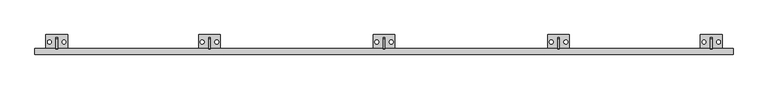
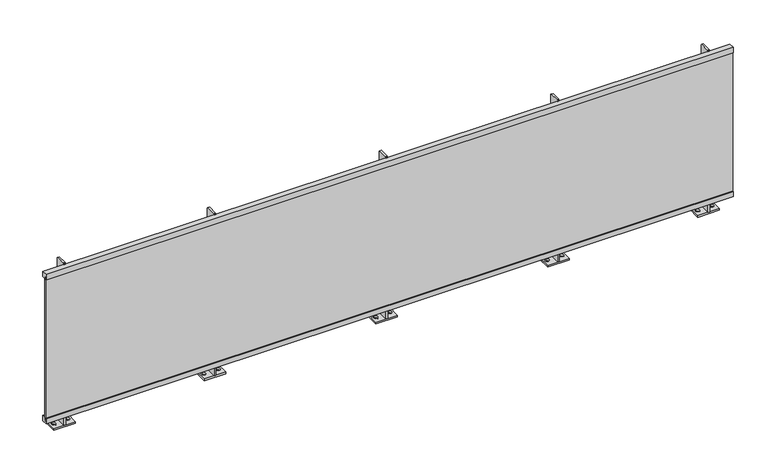
"""IFC4 building model written with IfcOpenShell, lengths in millimetres: railing geometry."""

from ifc_helpers import new_model, si_unit, point, frame, frame_2d, origin, origin_with_axes, place, context, project, spatial, polyline, circle_curve, trimmed, segment, composite_curve, outline, extrude, source, transform, mapped, element, save


def railing_a1a2c9dc(model_context):
    return source(origin(), model_context, "Body", "SweptSolid", [
        extrude(outline(polyline([(3006.2216732, 1200.0), (3006.2216732, 1160.0), (2984.7216732, 1160.0), (2984.7216732, 1180.0), (2968.7216732, 1180.0), (2968.7216732, 1160.0), (2966.2216732, 1160.0), (2966.2216732, 1200.0), (3006.2216732, 1200.0)])), frame((9960.6479588, 0.0, 0.0), z_axis=(1.0, 0.0, 0.0), x_axis=(0.0, 1.0, 0.0)), (0.0, 0.0, 1.0), 4800.0),
        extrude(outline(polyline([(9960.6479588, 2972.2216732), (9960.6479588, 2980.2216732), (14760.6479588, 2980.2216732), (14760.6479588, 2972.2216732), (9960.6479588, 2972.2216732)])), frame((0.0, 0.0, 135.0), z_axis=(0.0, 0.0, 1.0), x_axis=(1.0, 0.0, 0.0)), (0.0, 0.0, 1.0), 1025.0),
        extrude(outline(polyline([(3006.2216732, 95.0), (2966.2216732, 95.0), (2966.2216732, 135.0), (2968.7216732, 135.0), (2968.7216732, 115.0), (2984.7216732, 115.0), (2984.7216732, 135.0), (3006.2216732, 135.0), (3006.2216732, 95.0)])), frame((9960.6479588, 0.0, 0.0), z_axis=(1.0, 0.0, 0.0), x_axis=(0.0, 1.0, 0.0)), (0.0, 0.0, 1.0), 4800.0),
        extrude(outline(polyline([(3081.2216732, 12.0), (3001.2216732, 12.0), (3001.2216732, 1205.0), (3006.2216732, 1210.0), (3076.2216732, 1210.0), (3081.2216732, 1205.0), (3081.2216732, 12.0)])), frame((13554.6479588, 0.0, 0.0), z_axis=(1.0, 0.0, 0.0), x_axis=(0.0, 1.0, 0.0)), (0.0, 0.0, 1.0), 12.0),
        extrude(outline(polyline([(13485.6479588, 3101.2216732), (13635.6479588, 3101.2216732), (13635.6479588, 3001.2216732), (13485.6479588, 3001.2216732), (13485.6479588, 3101.2216732)]), holes=[composite_curve([segment(trimmed(circle_curve(frame_2d((13510.6479588, 3051.2216732)), 13.5), [point((13510.6479588, 3037.7216732))], [point((13510.6479588, 3064.7216732))], True, "CARTESIAN"), True, "CONTINUOUS"), segment(trimmed(circle_curve(frame_2d((13510.6479588, 3051.2216732)), 13.5), [point((13510.6479588, 3064.7216732))], [point((13510.6479588, 3037.7216732))], True, "CARTESIAN"), True, "CONTINUOUS")], self_intersect=False), composite_curve([segment(trimmed(circle_curve(frame_2d((13610.6479588, 3051.2216732)), 13.5), [point((13610.6479588, 3037.7216732))], [point((13610.6479588, 3064.7216732))], True, "CARTESIAN"), True, "CONTINUOUS"), segment(trimmed(circle_curve(frame_2d((13610.6479588, 3051.2216732)), 13.5), [point((13610.6479588, 3064.7216732))], [point((13610.6479588, 3037.7216732))], True, "CARTESIAN"), True, "CONTINUOUS")], self_intersect=False)]), origin_with_axes(), (0.0, 0.0, 1.0), 12.0),
        extrude(outline(polyline([(3081.2216732, 12.0), (3001.2216732, 12.0), (3001.2216732, 1205.0), (3006.2216732, 1210.0), (3076.2216732, 1210.0), (3081.2216732, 1205.0), (3081.2216732, 12.0)])), frame((12354.6479588, 0.0, 0.0), z_axis=(1.0, 0.0, 0.0), x_axis=(0.0, 1.0, 0.0)), (0.0, 0.0, 1.0), 12.0),
        extrude(outline(polyline([(12285.6479588, 3101.2216732), (12435.6479588, 3101.2216732), (12435.6479588, 3001.2216732), (12285.6479588, 3001.2216732), (12285.6479588, 3101.2216732)]), holes=[composite_curve([segment(trimmed(circle_curve(frame_2d((12310.6479588, 3051.2216732)), 13.5), [point((12310.6479588, 3037.7216732))], [point((12310.6479588, 3064.7216732))], True, "CARTESIAN"), True, "CONTINUOUS"), segment(trimmed(circle_curve(frame_2d((12310.6479588, 3051.2216732)), 13.5), [point((12310.6479588, 3064.7216732))], [point((12310.6479588, 3037.7216732))], True, "CARTESIAN"), True, "CONTINUOUS")], self_intersect=False), composite_curve([segment(trimmed(circle_curve(frame_2d((12410.6479588, 3051.2216732)), 13.5), [point((12410.6479588, 3037.7216732))], [point((12410.6479588, 3064.7216732))], True, "CARTESIAN"), True, "CONTINUOUS"), segment(trimmed(circle_curve(frame_2d((12410.6479588, 3051.2216732)), 13.5), [point((12410.6479588, 3064.7216732))], [point((12410.6479588, 3037.7216732))], True, "CARTESIAN"), True, "CONTINUOUS")], self_intersect=False)]), origin_with_axes(), (0.0, 0.0, 1.0), 12.0),
        extrude(outline(polyline([(3081.2216732, 12.0), (3001.2216732, 12.0), (3001.2216732, 1205.0), (3006.2216732, 1210.0), (3076.2216732, 1210.0), (3081.2216732, 1205.0), (3081.2216732, 12.0)])), frame((11154.6479588, 0.0, 0.0), z_axis=(1.0, 0.0, 0.0), x_axis=(0.0, 1.0, 0.0)), (0.0, 0.0, 1.0), 12.0),
        extrude(outline(polyline([(11085.6479588, 3101.2216732), (11235.6479588, 3101.2216732), (11235.6479588, 3001.2216732), (11085.6479588, 3001.2216732), (11085.6479588, 3101.2216732)]), holes=[composite_curve([segment(trimmed(circle_curve(frame_2d((11110.6479588, 3051.2216732)), 13.5), [point((11110.6479588, 3037.7216732))], [point((11110.6479588, 3064.7216732))], True, "CARTESIAN"), True, "CONTINUOUS"), segment(trimmed(circle_curve(frame_2d((11110.6479588, 3051.2216732)), 13.5), [point((11110.6479588, 3064.7216732))], [point((11110.6479588, 3037.7216732))], True, "CARTESIAN"), True, "CONTINUOUS")], self_intersect=False), composite_curve([segment(trimmed(circle_curve(frame_2d((11210.6479588, 3051.2216732)), 13.5), [point((11210.6479588, 3037.7216732))], [point((11210.6479588, 3064.7216732))], True, "CARTESIAN"), True, "CONTINUOUS"), segment(trimmed(circle_curve(frame_2d((11210.6479588, 3051.2216732)), 13.5), [point((11210.6479588, 3064.7216732))], [point((11210.6479588, 3037.7216732))], True, "CARTESIAN"), True, "CONTINUOUS")], self_intersect=False)]), origin_with_axes(), (0.0, 0.0, 1.0), 12.0),
        extrude(outline(polyline([(3081.2216732, 12.0), (3001.2216732, 12.0), (3001.2216732, 1205.0), (3006.2216732, 1210.0), (3076.2216732, 1210.0), (3081.2216732, 1205.0), (3081.2216732, 12.0)])), frame((14604.6479588, 0.0, 0.0), z_axis=(1.0, 0.0, 0.0), x_axis=(0.0, 1.0, 0.0)), (0.0, 0.0, 1.0), 12.0),
        extrude(outline(polyline([(14535.6479588, 3101.2216732), (14685.6479588, 3101.2216732), (14685.6479588, 3001.2216732), (14535.6479588, 3001.2216732), (14535.6479588, 3101.2216732)]), holes=[composite_curve([segment(trimmed(circle_curve(frame_2d((14560.6479588, 3051.2216732)), 13.5), [point((14560.6479588, 3037.7216732))], [point((14560.6479588, 3064.7216732))], True, "CARTESIAN"), True, "CONTINUOUS"), segment(trimmed(circle_curve(frame_2d((14560.6479588, 3051.2216732)), 13.5), [point((14560.6479588, 3064.7216732))], [point((14560.6479588, 3037.7216732))], True, "CARTESIAN"), True, "CONTINUOUS")], self_intersect=False), composite_curve([segment(trimmed(circle_curve(frame_2d((14660.6479588, 3051.2216732)), 13.5), [point((14660.6479588, 3037.7216732))], [point((14660.6479588, 3064.7216732))], True, "CARTESIAN"), True, "CONTINUOUS"), segment(trimmed(circle_curve(frame_2d((14660.6479588, 3051.2216732)), 13.5), [point((14660.6479588, 3064.7216732))], [point((14660.6479588, 3037.7216732))], True, "CARTESIAN"), True, "CONTINUOUS")], self_intersect=False)]), origin_with_axes(), (0.0, 0.0, 1.0), 12.0),
        extrude(outline(polyline([(3081.2216732, 12.0), (3001.2216732, 12.0), (3001.2216732, 1205.0), (3006.2216732, 1210.0), (3076.2216732, 1210.0), (3081.2216732, 1205.0), (3081.2216732, 12.0)])), frame((10104.6479588, 0.0, 0.0), z_axis=(1.0, 0.0, 0.0), x_axis=(0.0, 1.0, 0.0)), (0.0, 0.0, 1.0), 12.0),
        extrude(outline(polyline([(10035.6479588, 3101.2216732), (10185.6479588, 3101.2216732), (10185.6479588, 3001.2216732), (10035.6479588, 3001.2216732), (10035.6479588, 3101.2216732)]), holes=[composite_curve([segment(trimmed(circle_curve(frame_2d((10060.6479588, 3051.2216732)), 13.5), [point((10060.6479588, 3037.7216732))], [point((10060.6479588, 3064.7216732))], True, "CARTESIAN"), True, "CONTINUOUS"), segment(trimmed(circle_curve(frame_2d((10060.6479588, 3051.2216732)), 13.5), [point((10060.6479588, 3064.7216732))], [point((10060.6479588, 3037.7216732))], True, "CARTESIAN"), True, "CONTINUOUS")], self_intersect=False), composite_curve([segment(trimmed(circle_curve(frame_2d((10160.6479588, 3051.2216732)), 13.5), [point((10160.6479588, 3037.7216732))], [point((10160.6479588, 3064.7216732))], True, "CARTESIAN"), True, "CONTINUOUS"), segment(trimmed(circle_curve(frame_2d((10160.6479588, 3051.2216732)), 13.5), [point((10160.6479588, 3064.7216732))], [point((10160.6479588, 3037.7216732))], True, "CARTESIAN"), True, "CONTINUOUS")], self_intersect=False)]), origin_with_axes(), (0.0, 0.0, 1.0), 12.0),
    ])


if __name__ == "__main__":
    model = new_model("IFC4")
    model_context = context("Model", 3, world=origin())
    ifc_project = project(units=[si_unit("LENGTHUNIT", "METRE", prefix="MILLI")], contexts=[model_context])
    site = spatial("IfcSite", under=ifc_project)
    building = spatial("IfcBuilding", under=site)
    placement = place(None, origin())
    railing_shape = railing_a1a2c9dc(model_context)
    element("IfcRailing", 1, at=placement, inside=building, context=model_context, shape_type="MappedRepresentation", body=[
        mapped(railing_shape, transform((0.0, 0.0, 0.0), x_axis=(1.0, 0.0, 0.0), y_axis=(0.0, 1.0, 0.0), z_axis=(0.0, 0.0, 1.0))),
    ])
    save(model, "model.ifc")
